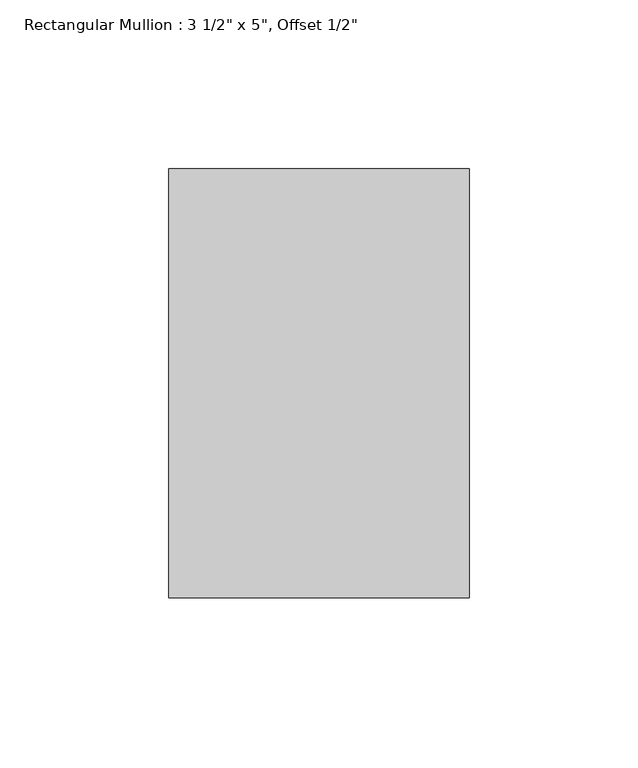
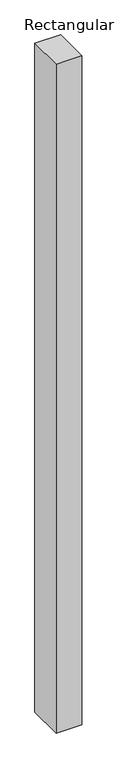
"""IFC4 building model written with IfcOpenShell, lengths in millimetres: member geometry."""

from ifc_helpers import new_model, si_unit, frame, origin, place, context, project, spatial, polyline, outline, extrude, source, transform, mapped, element, save


def member_10a2dffa(model_context):
    return source(origin(), model_context, "Body", "SweptSolid", [
        extrude(outline(polyline([(0.0, 50.8), (0.0, -76.2), (-88.9, -76.2), (-88.9, 50.8), (0.0, 50.8)])), frame((0.0, 0.0, -2453.2166667), z_axis=(0.0, 0.0, 1.0), x_axis=(1.0, 0.0, 0.0)), (0.0, 0.0, 1.0), 2453.2166667),
    ])


if __name__ == "__main__":
    model = new_model("IFC4")
    model_context = context("Model", 3, world=origin())
    ifc_project = project(units=[si_unit("LENGTHUNIT", "METRE", prefix="MILLI")], contexts=[model_context])
    site = spatial("IfcSite", under=ifc_project)
    building = spatial("IfcBuilding", under=site)
    placement = place(None, origin())
    member_shape = member_10a2dffa(model_context)
    element("IfcMember", 1, ObjectType="Rectangular Mullion : 3 1/2\" x 5\", Offset 1/2\"", at=placement, inside=building, context=model_context, shape_type="MappedRepresentation", body=[
        mapped(member_shape, transform((0.0, 0.0, 0.0), x_axis=(1.0, 0.0, 0.0), y_axis=(0.0, 1.0, 0.0), z_axis=(0.0, 0.0, 1.0))),
    ])
    save(model, "model.ifc")
